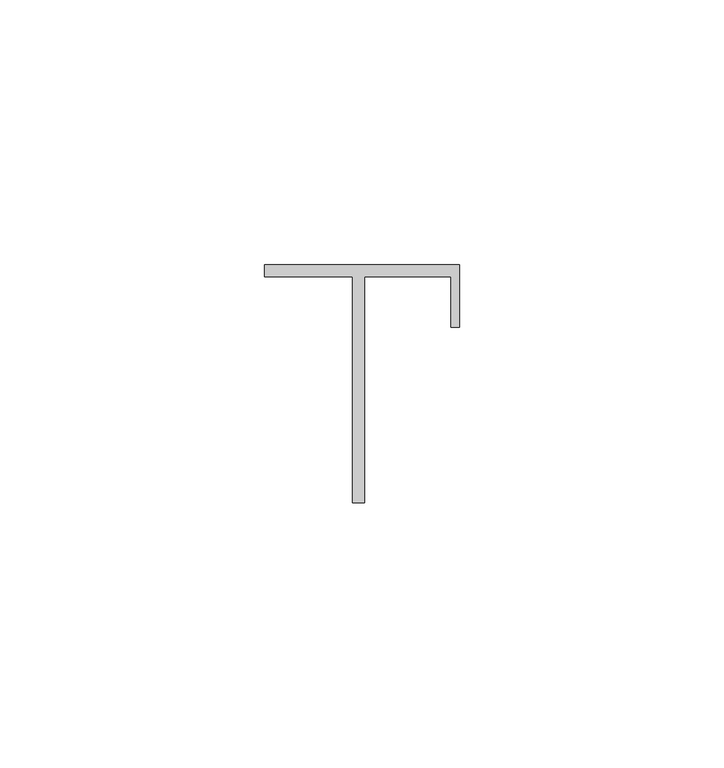
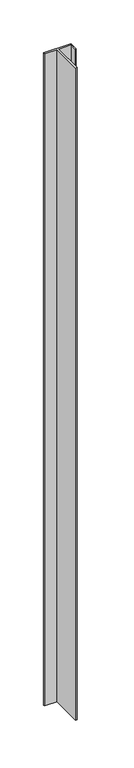
"""IFC4 building model written with IfcOpenShell, lengths in millimetres: proxy geometry."""

from ifc_helpers import new_model, si_unit, frame, origin, place, context, project, spatial, polyline, outline, extrude, source, transform, mapped, element, save


def generic_models_7a4b1d50(model_context):
    return source(origin(), model_context, "Body", "SweptSolid", [
        extrude(outline(polyline([(37113.9416284, -24054.9401791), (37097.2642316, -24054.9401791), (37097.2642316, -24052.6529893), (37134.145251, -24052.6529893), (37134.145251, -24064.4701204), (37132.5441307, -24064.4701204), (37132.5441307, -24054.9401791), (37116.2289153, -24054.9401791), (37116.2289153, -24097.6343232), (37113.9416284, -24097.6343232), (37113.9416284, -24054.9401791)])), frame((0.0, 0.0, 1524.0), z_axis=(0.0, 0.0, 1.0), x_axis=(1.0, 0.0, 0.0)), (0.0, 0.0, 1.0), 914.4),
    ])


if __name__ == "__main__":
    model = new_model("IFC4")
    model_context = context("Model", 3, world=origin())
    ifc_project = project(units=[si_unit("LENGTHUNIT", "METRE", prefix="MILLI")], contexts=[model_context])
    site = spatial("IfcSite", under=ifc_project)
    building = spatial("IfcBuilding", under=site)
    placement = place(None, origin())
    generic_models_shape = generic_models_7a4b1d50(model_context)
    element("IfcBuildingElementProxy", 1, Name="Generic Models", at=placement, inside=building, context=model_context, shape_type="MappedRepresentation", body=[
        mapped(generic_models_shape, transform((0.0, 0.0, 0.0), x_axis=(1.0, 0.0, 0.0), y_axis=(0.0, 1.0, 0.0), z_axis=(0.0, 0.0, 1.0))),
    ])
    save(model, "model.ifc")
